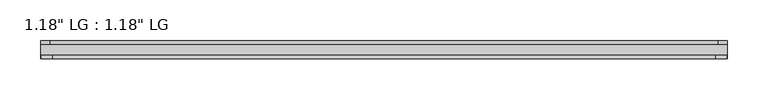
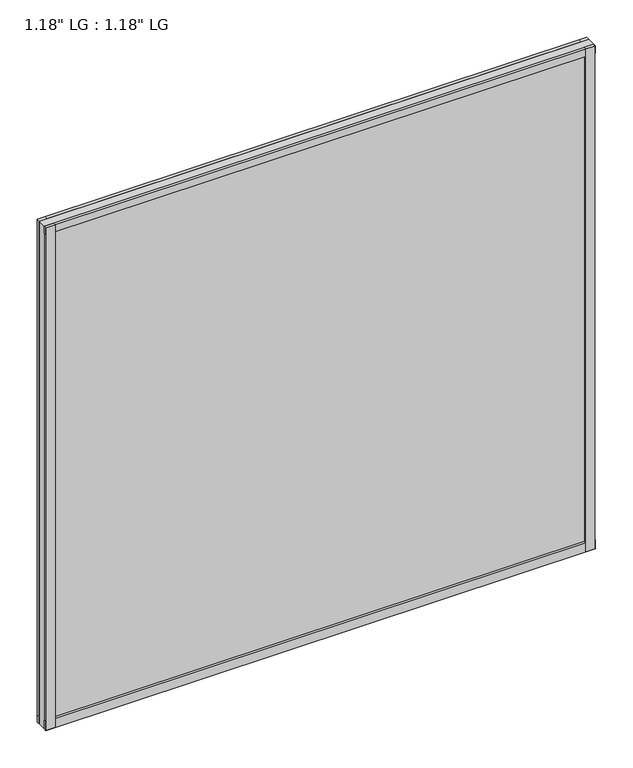
"""IFC4 building model written with IfcOpenShell, lengths in millimetres: plate geometry."""

from ifc_helpers import new_model, si_unit, frame, origin, origin_with_axes, place, context, project, spatial, polyline, outline, extrude, source, transform, mapped, element, save


def plate_3e52206a(model_context):
    return source(origin(), model_context, "Body", "SweptSolid", [
        extrude(outline(polyline([(423.0624, 58.8264), (411.6098034, 58.8264), (411.6098034, 63.5), (423.0624, 63.5), (423.0624, 58.8264)])), origin_with_axes(), (0.0, 0.0, 1.0), 818.7785413),
        extrude(outline(polyline([(408.8430761, 45.212), (422.2467966, 45.212), (422.2467966, 41.021), (408.8430761, 41.021), (408.8430761, 45.212)])), origin_with_axes(), (0.0, 0.0, 1.0), 818.7785413),
        extrude(outline(polyline([(-411.5445913, 63.5), (-411.5445913, 58.8264), (-423.0624, 58.8264), (-423.0624, 63.5), (-411.5445913, 63.5)])), origin_with_axes(), (0.0, 0.0, 1.0), 818.7785413),
        extrude(outline(polyline([(-408.8533512, 45.212), (-408.8533512, 41.021), (-422.2467966, 41.021), (-422.2467966, 45.212), (-408.8533512, 45.212)])), origin_with_axes(), (0.0, 0.0, 1.0), 818.7785413),
        extrude(outline(polyline([(423.0624, 63.5), (423.0624, 58.8264), (-423.0624, 58.8264), (-423.0624, 63.5), (423.0624, 63.5)])), origin_with_axes(), (0.0, 0.0, 1.0), 11.444324),
        extrude(outline(polyline([(423.0624, 45.212), (423.0624, 41.021), (-423.0624, 41.021), (-423.0624, 45.212), (423.0624, 45.212)])), origin_with_axes(), (0.0, 0.0, 1.0), 14.1703966),
        extrude(outline(polyline([(423.0624, 63.5), (423.0624, 58.8264), (-423.0624, 58.8264), (-423.0624, 63.5), (423.0624, 63.5)])), frame((0.0, 0.0, 807.1134386), z_axis=(0.0, 0.0, 1.0), x_axis=(1.0, 0.0, 0.0)), (0.0, 0.0, 1.0), 11.6651026),
        extrude(outline(polyline([(423.0624, 45.212), (423.0624, 41.021), (-423.0624, 41.021), (-423.0624, 45.212), (423.0624, 45.212)])), frame((0.0, 0.0, 807.1134386), z_axis=(0.0, 0.0, 1.0), x_axis=(1.0, 0.0, 0.0)), (0.0, 0.0, 1.0), 11.6651026),
        extrude(outline(polyline([(423.0624, 58.8264), (423.0624, 45.212), (-423.0624, 45.212), (-423.0624, 58.8264), (423.0624, 58.8264)])), origin_with_axes(), (0.0, 0.0, 1.0), 818.7785413),
    ])


if __name__ == "__main__":
    model = new_model("IFC4")
    model_context = context("Model", 3, world=origin())
    ifc_project = project(units=[si_unit("LENGTHUNIT", "METRE", prefix="MILLI")], contexts=[model_context])
    site = spatial("IfcSite", under=ifc_project)
    building = spatial("IfcBuilding", under=site)
    placement = place(None, origin())
    plate_shape = plate_3e52206a(model_context)
    element("IfcPlate", 1, ObjectType="1.18\" LG : 1.18\" LG", at=placement, inside=building, context=model_context, shape_type="MappedRepresentation", body=[
        mapped(plate_shape, transform((0.0, 0.0, 0.0), x_axis=(1.0, 0.0, 0.0), y_axis=(0.0, 1.0, 0.0), z_axis=(0.0, 0.0, 1.0))),
    ])
    save(model, "model.ifc")
